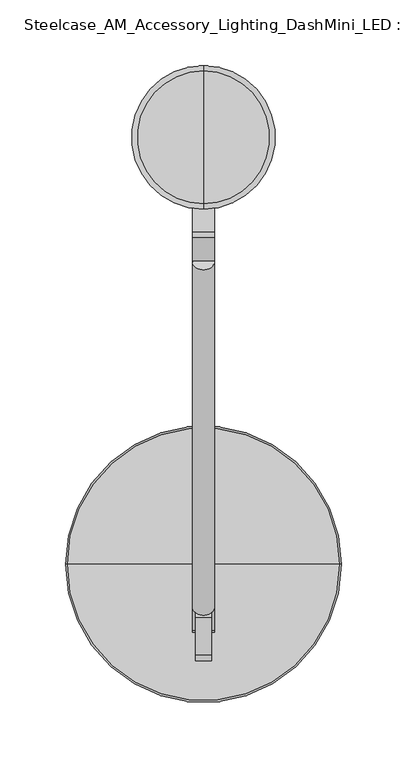
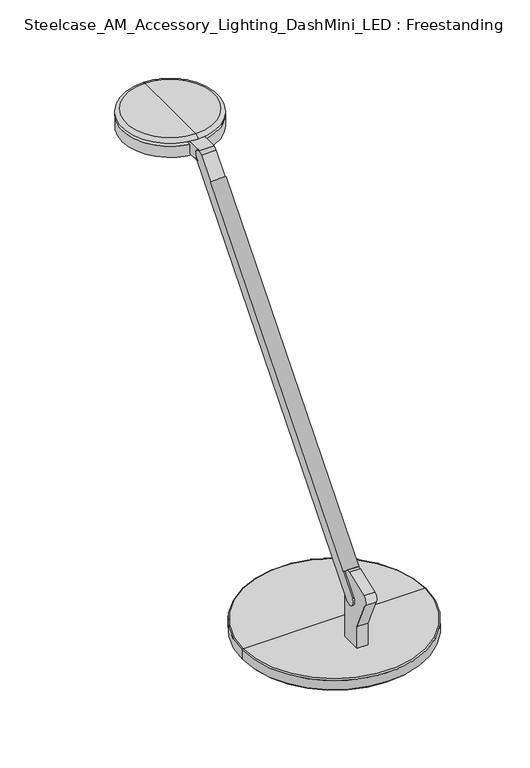
"""IFC4 building model written with IfcOpenShell, lengths in millimetres: furniture geometry, Steelcase_AM_Accessory_Lighting_DashMini_LED : Freestanding."""

from ifc_helpers import new_model, si_unit, point, frame, frame_2d, origin, place, context, project, spatial, polyline, circle_curve, ellipse_curve, trimmed, segment, composite_curve, outline, extrude, source, transform, mapped, element, save
from ifc_brep_helpers import plane_surface, cylinder_surface, revolved_surface, advanced_brep


def steelcase_am_accessory_lighting_dashmini_led_freestanding_b2d482ed(model_context):
    return source(origin(), model_context, "Body", "SolidModel", [
        extrude(outline(composite_curve([segment(trimmed(circle_curve(frame_2d((0.0, 161.2861314)), 8.509), [point((8.509, 161.2861314))], [point((-8.509, 161.2861314))], False, "CARTESIAN"), True, "CONTINUOUS"), segment(polyline([(-8.509, 161.2861314), (8.509, 161.2861314)]), True, "CONTINUOUS")], self_intersect=False)), frame((0.0, -59.9275977, 934.0367561), z_axis=(0.0, 0.6453157173859881, 0.7639159802586981), x_axis=(1.0, 0.0, 0.0)), (0.0, 0.0, 1.0), 407.9752226),
        extrude(outline(composite_curve([segment(polyline([(1165.3599936, 383.6426805), (1165.3599936, 349.1496158)]), True, "CONTINUOUS"), segment(trimmed(circle_curve(frame_2d((1158.6105852, 349.1496158)), 6.7494084), [point((1165.3599936, 349.1496158))], [point((1154.3820582, 354.4102311))], True, "CARTESIAN"), True, "CONTINUOUS"), segment(polyline([(1154.3820582, 354.4102311), (1151.5508717, 352.0202702), (1151.5508717, 366.3659959), (1162.4056, 366.3659959), (1162.4056, 381.1636499), (1165.3599936, 383.6426805)]), True, "CONTINUOUS")], self_intersect=False)), frame((8.509, 0.0, 0.0), z_axis=(-1.0, 0.0, 0.0), x_axis=(0.0, 0.0, 1.0)), (0.0, 0.0, 1.0), 17.018),
        extrude(outline(composite_curve([segment(polyline([(63.6335559, 826.008), (63.6335559, 750.951), (39.5289559, 750.951), (39.5289559, 777.008319), (24.0322898, 811.8144009)]), True, "CONTINUOUS"), segment(trimmed(circle_curve(frame_2d((28.6602337, 816.3670075)), 6.491848), [point((24.0322898, 811.8144009))], [point((26.3337634, 822.4276697))], False, "CARTESIAN"), True, "CONTINUOUS"), segment(polyline([(26.3337634, 822.4276697), (54.9477675, 833.4115568)]), True, "CONTINUOUS"), segment(trimmed(circle_curve(frame_2d((57.2760289, 827.3462287)), 6.4968459), [point((54.9477675, 833.4115568))], [point((63.6335559, 826.008))], False, "CARTESIAN"), True, "CONTINUOUS")], self_intersect=False)), frame((-6.223, 0.0, 0.0), z_axis=(1.0, 0.0, 0.0), x_axis=(0.0, 1.0, 0.0)), (0.0, 0.0, 1.0), 12.446),
        advanced_brep(
        [(0.0, 95.563788, 750.9476331), (-103.8479, 95.563788, 750.9476331), (103.8479, 95.563788, 750.9476331), (-93.0792702, 95.563788, 731.9816908), (0.0, 95.563788, 731.9816908), (93.0792702, 95.563788, 731.9816908), (-93.0792702, 95.563788, 732.8852565), (93.0792702, 95.563788, 732.8852565), (-95.8939876, 95.563788, 732.8852565), (95.8939876, 95.563788, 732.8852565), (-102.4300117, 95.563788, 735.7952819), (102.4300117, 95.563788, 735.7952819), (-102.4300117, 95.563788, 738.6286331), (102.4300117, 95.563788, 738.6286331), (-105.3308643, 95.563788, 738.6286331), (105.3308643, 95.563788, 738.6286331), (-105.3308643, 95.563788, 749.4646687), (105.3308643, 95.563788, 749.4646687)],
        [
            (0, 1),
            (1, 2, circle_curve(frame((0.0, 95.563788, 750.9476331), z_axis=(0.0, 0.0, 1.0), x_axis=(1.0, 0.0, 0.0)), 103.8479)),
            (2, 0),
            (2, 1, circle_curve(frame((0.0, 95.563788, 750.9476331), z_axis=(0.0, 0.0, 1.0), x_axis=(1.0, 0.0, 0.0)), 103.8479)),
            (3, 4),
            (4, 5),
            (5, 3, circle_curve(frame((0.0, 95.563788, 731.9816908), z_axis=(0.0, 0.0, -1.0), x_axis=(1.0, 0.0, 0.0)), 93.0792702)),
            (3, 5, circle_curve(frame((0.0, 95.563788, 731.9816908), z_axis=(0.0, 0.0, -1.0), x_axis=(1.0, 0.0, 0.0)), 93.0792702)),
            (6, 3),
            (5, 7),
            (7, 6, circle_curve(frame((0.0, 95.563788, 732.8852565), z_axis=(0.0, 0.0, -1.0), x_axis=(1.0, 0.0, 0.0)), 93.0792702)),
            (6, 7, circle_curve(frame((0.0, 95.563788, 732.8852565), z_axis=(0.0, 0.0, -1.0), x_axis=(1.0, 0.0, 0.0)), 93.0792702)),
            (8, 6),
            (7, 9),
            (9, 8, circle_curve(frame((0.0, 95.563788, 732.8852565), z_axis=(0.0, 0.0, -1.0), x_axis=(1.0, 0.0, 0.0)), 95.8939876)),
            (8, 9, circle_curve(frame((0.0, 95.563788, 732.8852565), z_axis=(0.0, 0.0, -1.0), x_axis=(1.0, 0.0, 0.0)), 95.8939876)),
            (10, 8),
            (9, 11),
            (11, 10, circle_curve(frame((0.0, 95.563788, 735.7952819), z_axis=(0.0, 0.0, -1.0), x_axis=(1.0, 0.0, 0.0)), 102.4300117)),
            (10, 11, circle_curve(frame((0.0, 95.563788, 735.7952819), z_axis=(0.0, 0.0, -1.0), x_axis=(1.0, 0.0, 0.0)), 102.4300117)),
            (12, 10),
            (11, 13),
            (13, 12, circle_curve(frame((0.0, 95.563788, 738.6286331), z_axis=(0.0, 0.0, -1.0), x_axis=(1.0, 0.0, 0.0)), 102.4300117)),
            (12, 13, circle_curve(frame((0.0, 95.563788, 738.6286331), z_axis=(0.0, 0.0, -1.0), x_axis=(1.0, 0.0, 0.0)), 102.4300117)),
            (14, 12),
            (13, 15),
            (15, 14, circle_curve(frame((0.0, 95.563788, 738.6286331), z_axis=(0.0, 0.0, -1.0), x_axis=(1.0, 0.0, 0.0)), 105.3308643)),
            (14, 15, circle_curve(frame((0.0, 95.563788, 738.6286331), z_axis=(0.0, 0.0, -1.0), x_axis=(1.0, 0.0, 0.0)), 105.3308643)),
            (16, 14),
            (15, 17),
            (17, 16, circle_curve(frame((0.0, 95.563788, 749.4646687), z_axis=(0.0, 0.0, -1.0), x_axis=(1.0, 0.0, 0.0)), 105.3308643)),
            (16, 17, circle_curve(frame((0.0, 95.563788, 749.4646687), z_axis=(0.0, 0.0, -1.0), x_axis=(1.0, 0.0, 0.0)), 105.3308643)),
            (1, 16, circle_curve(frame((-103.8479, 95.563788, 749.4646687), z_axis=(0.0, -1.0, 0.0), x_axis=(-1.0, 0.0, 0.0)), 1.4829643)),
            (17, 2, circle_curve(frame((103.8479, 95.563788, 749.4646687), z_axis=(0.0, -1.0, 0.0), x_axis=(1.0, 0.0, 0.0)), 1.4829643)),
        ],
        [
            plane_surface(frame((0.0, 95.563788, 750.9476331), z_axis=(0.0, 0.0, 1.0), x_axis=(1.0, 0.0, 0.0))),
            plane_surface(frame((0.0, 95.563788, 731.9816908), z_axis=(0.0, 0.0, -1.0), x_axis=(1.0, 0.0, 0.0))),
            cylinder_surface(frame((0.0, 95.563788, 757.2976331), z_axis=(0.0, 0.0, 1.0), x_axis=(1.0, 0.0, 0.0)), 93.0792702),
            plane_surface(frame((0.0, 95.563788, 732.8852565), z_axis=(0.0, 0.0, -1.0), x_axis=(1.0, 0.0, 0.0))),
            revolved_surface(polyline([(95.8939876, 95.563788, 732.8852565), (102.4300117, 95.563788, 735.7952819)]), (0.0, 95.563788, 757.2976331), (0.0, 0.0, 1.0)),
            cylinder_surface(frame((0.0, 95.563788, 757.2976331), z_axis=(0.0, 0.0, 1.0), x_axis=(1.0, 0.0, 0.0)), 102.4300117),
            plane_surface(frame((0.0, 95.563788, 738.6286331), z_axis=(0.0, 0.0, -1.0), x_axis=(1.0, 0.0, 0.0))),
            cylinder_surface(frame((0.0, 95.563788, 757.2976331), z_axis=(0.0, 0.0, 1.0), x_axis=(1.0, 0.0, 0.0)), 105.3308643),
            revolved_surface(trimmed(ellipse_curve(frame((103.8479, 95.563788, 749.4646687), z_axis=(0.0, -1.0, 0.0), x_axis=(1.0, 0.0, 0.0)), 1.4829643, 1.4829643), [point((105.3308643, 95.563788, 749.4646687))], [point((103.8479, 95.563788, 750.9476331))], True, "CARTESIAN"), (0.0, 95.563788, 757.2976331), (0.0, 0.0, 1.0)),
        ],
        [
            (0, [[1, 2, 3]]),
            (0, [[-3, 4, -1]]),
            (1, [[5, 6, 7]]),
            (1, [[-6, -5, 8]]),
            (2, [[9, -7, 10, 11]]),
            (2, [[-10, -8, -9, 12]]),
            (3, [[13, -11, 14, 15]]),
            (3, [[-14, -12, -13, 16]]),
            (4, [[17, -15, 18, 19]]),
            (4, [[-18, -16, -17, 20]]),
            (5, [[21, -19, 22, 23]]),
            (5, [[-22, -20, -21, 24]]),
            (6, [[25, -23, 26, 27]]),
            (6, [[-26, -24, -25, 28]]),
            (7, [[29, -27, 30, 31]]),
            (7, [[-30, -28, -29, 32]]),
            (8, [[33, -31, 34, -2]]),
            (8, [[-34, -32, -33, -4]]),
        ],
    ),
        advanced_brep(
        [(0.0, 366.3659959, 1166.2156), (0.0, 370.4220506, 1170.0256), (0.0, 471.7839412, 1170.0256), (0.0, 475.8399959, 1166.2156), (0.0, 384.354515, 1166.2156), (0.0, 457.8514768, 1166.2156), (0.0, 381.6867242, 1162.4056), (0.0, 460.5192676, 1162.4056), (0.0, 366.3659959, 1162.4056), (0.0, 475.8399959, 1162.4056), (0.0, 366.3659959, 1149.0706), (0.0, 475.8399959, 1149.0706), (0.0, 421.1029959, 1149.0706), (0.0, 421.1029959, 1170.0256)],
        [
            (0, 1, circle_curve(frame((0.0, 370.4220506, 1165.9616), z_axis=(-1.0, 0.0, 0.0), x_axis=(0.0, -1.0, 0.0)), 4.064)),
            (1, 2, circle_curve(frame((0.0, 421.1029959, 1170.0256), z_axis=(0.0, 0.0, -1.0), x_axis=(0.0, 1.0, 0.0)), 50.6809453)),
            (2, 3, circle_curve(frame((0.0, 471.7839412, 1165.9616), z_axis=(-1.0, 0.0, 0.0), x_axis=(0.0, 1.0, 0.0)), 4.064)),
            (3, 0, circle_curve(frame((0.0, 421.1029959, 1166.2156), z_axis=(0.0, 0.0, 1.0), x_axis=(0.0, 1.0, 0.0)), 54.737)),
            (2, 1, circle_curve(frame((0.0, 421.1029959, 1170.0256), z_axis=(0.0, 0.0, -1.0), x_axis=(0.0, 1.0, 0.0)), 50.6809453)),
            (0, 3, circle_curve(frame((0.0, 421.1029959, 1166.2156), z_axis=(0.0, 0.0, 1.0), x_axis=(0.0, 1.0, 0.0)), 54.737)),
            (4, 0),
            (3, 5),
            (5, 4, circle_curve(frame((0.0, 421.1029959, 1166.2156), z_axis=(0.0, 0.0, 1.0), x_axis=(0.0, 1.0, 0.0)), 36.7484809)),
            (4, 5, circle_curve(frame((0.0, 421.1029959, 1166.2156), z_axis=(0.0, 0.0, 1.0), x_axis=(0.0, 1.0, 0.0)), 36.7484809)),
            (6, 4),
            (5, 7),
            (7, 6, circle_curve(frame((0.0, 421.1029959, 1162.4056), z_axis=(0.0, 0.0, 1.0), x_axis=(0.0, 1.0, 0.0)), 39.4162717)),
            (6, 7, circle_curve(frame((0.0, 421.1029959, 1162.4056), z_axis=(0.0, 0.0, 1.0), x_axis=(0.0, 1.0, 0.0)), 39.4162717)),
            (8, 6),
            (7, 9),
            (9, 8, circle_curve(frame((0.0, 421.1029959, 1162.4056), z_axis=(0.0, 0.0, 1.0), x_axis=(0.0, 1.0, 0.0)), 54.737)),
            (8, 9, circle_curve(frame((0.0, 421.1029959, 1162.4056), z_axis=(0.0, 0.0, 1.0), x_axis=(0.0, 1.0, 0.0)), 54.737)),
            (10, 8),
            (9, 11),
            (11, 10, circle_curve(frame((0.0, 421.1029959, 1149.0706), z_axis=(0.0, 0.0, 1.0), x_axis=(0.0, 1.0, 0.0)), 54.737)),
            (10, 11, circle_curve(frame((0.0, 421.1029959, 1149.0706), z_axis=(0.0, 0.0, 1.0), x_axis=(0.0, 1.0, 0.0)), 54.737)),
            (12, 10),
            (11, 12),
            (1, 13),
            (13, 2),
        ],
        [
            revolved_surface(trimmed(ellipse_curve(frame((0.0, 471.7839412, 1165.9616), z_axis=(-1.0, 0.0, 0.0), x_axis=(0.0, 1.0, 0.0)), 4.064, 4.064), [point((0.0, 471.7839412, 1170.0256))], [point((0.0, 475.8399959, 1166.2156))], True, "CARTESIAN"), (0.0, 421.1029959, 1170.0256), (0.0, 0.0, -1.0)),
            plane_surface(frame((0.0, 421.1029959, 1166.2156), z_axis=(0.0, 0.0, -1.0), x_axis=(0.0, 1.0, 0.0))),
            revolved_surface(polyline([(0.0, 457.8514768, 1166.2156), (0.0, 460.5192676, 1162.4056)]), (0.0, 421.1029959, 1170.0256), (0.0, 0.0, -1.0)),
            plane_surface(frame((0.0, 421.1029959, 1162.4056), z_axis=(0.0, 0.0, 1.0), x_axis=(0.0, 1.0, 0.0))),
            cylinder_surface(frame((0.0, 421.1029959, 1170.0256), z_axis=(0.0, 0.0, -1.0), x_axis=(0.0, 1.0, 0.0)), 54.737),
            plane_surface(frame((0.0, 421.1029959, 1149.0706), z_axis=(0.0, 0.0, -1.0), x_axis=(0.0, 1.0, 0.0))),
            plane_surface(frame((0.0, 421.1029959, 1170.0256), z_axis=(0.0, 0.0, 1.0), x_axis=(0.0, 1.0, 0.0))),
        ],
        [
            (0, [[1, 2, 3, 4]]),
            (0, [[-3, 5, -1, 6]]),
            (1, [[7, -4, 8, 9]]),
            (1, [[-8, -6, -7, 10]]),
            (2, [[11, -9, 12, 13]]),
            (2, [[-12, -10, -11, 14]]),
            (3, [[15, -13, 16, 17]]),
            (3, [[-16, -14, -15, 18]]),
            (4, [[19, -17, 20, 21]]),
            (4, [[-20, -18, -19, 22]]),
            (5, [[23, -21, 24]]),
            (5, [[-24, -22, -23]]),
            (6, [[25, 26, -2]]),
            (6, [[-26, -25, -5]]),
        ],
    ),
        extrude(outline(composite_curve([segment(polyline([(45.3086429, 808.6803092), (344.4466482, 1162.7958164)]), True, "CONTINUOUS"), segment(trimmed(circle_curve(frame_2d((349.4277131, 1158.5880769)), 6.5204355), [point((344.4466482, 1162.7958164))], [point((354.4102311, 1154.3820582))], False, "CARTESIAN"), True, "CONTINUOUS"), segment(polyline([(354.4102311, 1154.3820582), (55.394567, 800.16324)]), True, "CONTINUOUS"), segment(trimmed(circle_curve(frame_2d((50.3508694, 804.4209036)), 6.6004988), [point((55.394567, 800.16324))], [point((45.3086429, 808.6803092))], False, "CARTESIAN"), True, "CONTINUOUS")], self_intersect=False)), frame((-8.509, 0.0, 0.0), z_axis=(1.0, 0.0, 0.0), x_axis=(0.0, 1.0, 0.0)), (0.0, 0.0, 1.0), 17.018),
    ])


if __name__ == "__main__":
    model = new_model("IFC4")
    model_context = context("Model", 3, world=origin())
    ifc_project = project(units=[si_unit("LENGTHUNIT", "METRE", prefix="MILLI")], contexts=[model_context])
    site = spatial("IfcSite", under=ifc_project)
    building = spatial("IfcBuilding", under=site)
    placement = place(None, origin())
    steelcase_am_accessory_lighting_dashmini_led_freestanding_shape = steelcase_am_accessory_lighting_dashmini_led_freestanding_b2d482ed(model_context)
    element("IfcFurniture", 1, ObjectType="Steelcase_AM_Accessory_Lighting_DashMini_LED : Freestanding", at=placement, inside=building, context=model_context, shape_type="MappedRepresentation", body=[
        mapped(steelcase_am_accessory_lighting_dashmini_led_freestanding_shape, transform((0.0, 0.0, 0.0), x_axis=(1.0, 0.0, 0.0), y_axis=(0.0, 1.0, 0.0), z_axis=(0.0, 0.0, 1.0))),
    ])
    save(model, "model.ifc")
